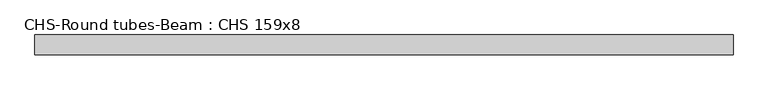
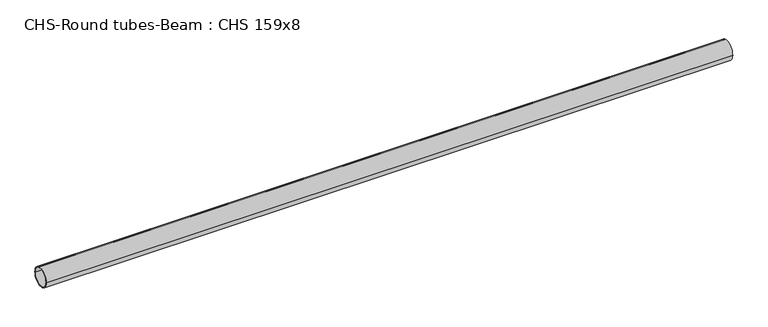
"""IFC4 building model written with IfcOpenShell, lengths in millimetres: beam geometry, CHS-Round tubes-Beam : CHS 159x8."""

from ifc_helpers import new_model, si_unit, point, frame, origin, origin_2d, place, context, project, spatial, circle_curve, trimmed, segment, composite_curve, outline, extrude, source, transform, mapped, element, save


def chs_round_tubes_beam_chs_159x8_053780c0(model_context):
    return source(origin(), model_context, "Body", "SweptSolid", [
        extrude(outline(composite_curve([segment(trimmed(circle_curve(origin_2d(), 79.5), [point((79.5, 0.0))], [point((-79.5, 0.0))], False, "CARTESIAN"), True, "CONTINUOUS"), segment(trimmed(circle_curve(origin_2d(), 79.5), [point((-79.5, 0.0))], [point((79.5, 0.0))], False, "CARTESIAN"), True, "CONTINUOUS")], self_intersect=False), holes=[composite_curve([segment(trimmed(circle_curve(origin_2d(), 71.5), [point((71.5, 0.0))], [point((-71.5, 0.0))], True, "CARTESIAN"), True, "CONTINUOUS"), segment(trimmed(circle_curve(origin_2d(), 71.5), [point((-71.5, 0.0))], [point((71.5, 0.0))], True, "CARTESIAN"), True, "CONTINUOUS")], self_intersect=False)]), frame((-2804.7808121, 0.0, 0.0), z_axis=(1.0, 0.0, 0.0), x_axis=(0.0, 1.0, 0.0)), (0.0, 0.0, 1.0), 5608.1407947),
    ])


if __name__ == "__main__":
    model = new_model("IFC4")
    model_context = context("Model", 3, world=origin())
    ifc_project = project(units=[si_unit("LENGTHUNIT", "METRE", prefix="MILLI")], contexts=[model_context])
    site = spatial("IfcSite", under=ifc_project)
    building = spatial("IfcBuilding", under=site)
    placement = place(None, origin())
    chs_round_tubes_beam_chs_159x8_shape = chs_round_tubes_beam_chs_159x8_053780c0(model_context)
    element("IfcBeam", 1, ObjectType="CHS-Round tubes-Beam : CHS 159x8", at=placement, inside=building, context=model_context, shape_type="MappedRepresentation", body=[
        mapped(chs_round_tubes_beam_chs_159x8_shape, transform((0.0, 0.0, 0.0), x_axis=(1.0, 0.0, 0.0), y_axis=(0.0, 1.0, 0.0), z_axis=(0.0, 0.0, 1.0))),
    ])
    save(model, "model.ifc")
